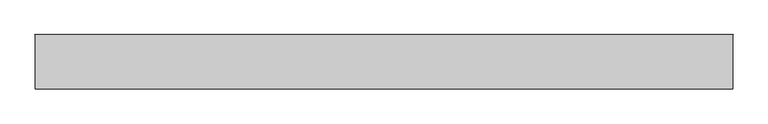
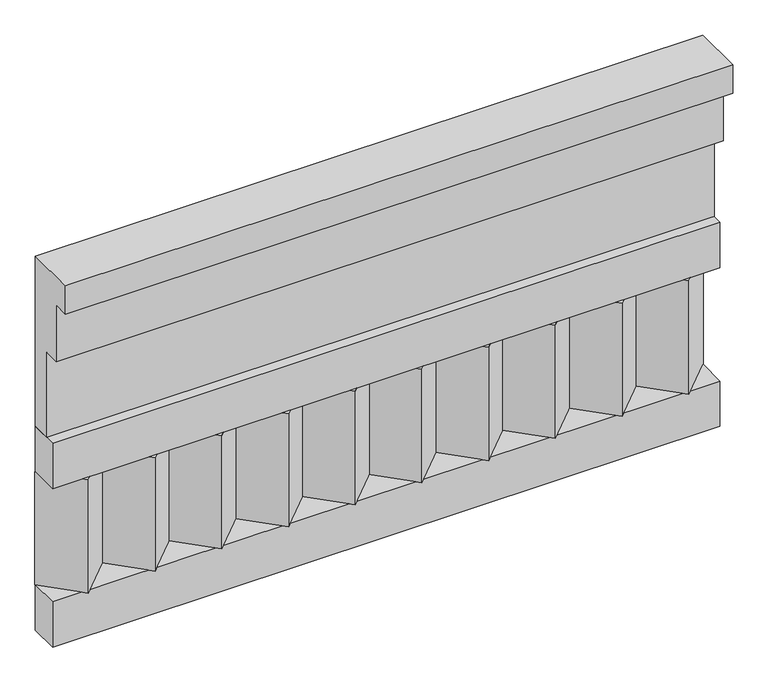
"""IFC4 building model written with IfcOpenShell, lengths in millimetres: railing geometry."""

from ifc_helpers import new_model, si_unit, frame, origin, place, context, project, spatial, polyline, outline, extrude, source, transform, mapped, element, save


def railing_3aca0e74(model_context):
    return source(origin(), model_context, "Body", "SweptSolid", [
        extrude(outline(polyline([(-16816.8920513, 18500.0), (-16816.8920513, 18050.0), (-16866.8920513, 18050.0), (-16866.8920513, 18275.0), (-16906.8920513, 18275.0), (-16906.8920513, 18425.0), (-16946.8920513, 18425.0), (-16946.8920513, 18500.0), (-16816.8920513, 18500.0)])), frame((-26239.9887159, 0.0, 0.0), z_axis=(1.0, 0.0, 0.0), x_axis=(0.0, 1.0, 0.0)), (0.0, 0.0, 1.0), 1670.0),
        extrude(outline(polyline([(-26239.9887159, -16891.8920513), (-26239.9887159, -16816.8920513), (-24569.9887159, -16816.8920513), (-24569.9887159, -16891.8920513), (-26239.9887159, -16891.8920513)])), frame((0.0, 0.0, 17930.0), z_axis=(0.0, 0.0, 1.0), x_axis=(1.0, 0.0, 0.0)), (0.0, 0.0, 1.0), 120.0),
        extrude(outline(polyline([(-26239.9887159, -16891.8920513), (-26239.9887159, -16816.8920513), (-24569.9887159, -16816.8920513), (-24569.9887159, -16891.8920513), (-26239.9887159, -16891.8920513)])), frame((0.0, 0.0, 17510.0), z_axis=(0.0, 0.0, 1.0), x_axis=(1.0, 0.0, 0.0)), (0.0, 0.0, 1.0), 120.0),
        extrude(outline(polyline([(-24653.4887159, -16901.7448651), (-24738.3415296, -16816.8920513), (-24568.6359022, -16816.8920513), (-24653.4887159, -16901.7448651)])), frame((0.0, 0.0, 17630.0), z_axis=(0.0, 0.0, 1.0), x_axis=(1.0, 0.0, 0.0)), (0.0, 0.0, 1.0), 300.0),
        extrude(outline(polyline([(-24820.4887159, -16901.7448651), (-24905.3415296, -16816.8920513), (-24735.6359022, -16816.8920513), (-24820.4887159, -16901.7448651)])), frame((0.0, 0.0, 17630.0), z_axis=(0.0, 0.0, 1.0), x_axis=(1.0, 0.0, 0.0)), (0.0, 0.0, 1.0), 300.0),
        extrude(outline(polyline([(-24987.4887159, -16901.7448651), (-25072.3415296, -16816.8920513), (-24902.6359022, -16816.8920513), (-24987.4887159, -16901.7448651)])), frame((0.0, 0.0, 17630.0), z_axis=(0.0, 0.0, 1.0), x_axis=(1.0, 0.0, 0.0)), (0.0, 0.0, 1.0), 300.0),
        extrude(outline(polyline([(-25154.4887159, -16901.7448651), (-25239.3415296, -16816.8920513), (-25069.6359022, -16816.8920513), (-25154.4887159, -16901.7448651)])), frame((0.0, 0.0, 17630.0), z_axis=(0.0, 0.0, 1.0), x_axis=(1.0, 0.0, 0.0)), (0.0, 0.0, 1.0), 300.0),
        extrude(outline(polyline([(-25321.4887159, -16901.7448651), (-25406.3415296, -16816.8920513), (-25236.6359022, -16816.8920513), (-25321.4887159, -16901.7448651)])), frame((0.0, 0.0, 17630.0), z_axis=(0.0, 0.0, 1.0), x_axis=(1.0, 0.0, 0.0)), (0.0, 0.0, 1.0), 300.0),
        extrude(outline(polyline([(-25488.4887159, -16901.7448651), (-25573.3415296, -16816.8920513), (-25403.6359022, -16816.8920513), (-25488.4887159, -16901.7448651)])), frame((0.0, 0.0, 17630.0), z_axis=(0.0, 0.0, 1.0), x_axis=(1.0, 0.0, 0.0)), (0.0, 0.0, 1.0), 300.0),
        extrude(outline(polyline([(-25655.4887159, -16901.7448651), (-25740.3415296, -16816.8920513), (-25570.6359022, -16816.8920513), (-25655.4887159, -16901.7448651)])), frame((0.0, 0.0, 17630.0), z_axis=(0.0, 0.0, 1.0), x_axis=(1.0, 0.0, 0.0)), (0.0, 0.0, 1.0), 300.0),
        extrude(outline(polyline([(-25822.4887159, -16901.7448651), (-25907.3415296, -16816.8920513), (-25737.6359022, -16816.8920513), (-25822.4887159, -16901.7448651)])), frame((0.0, 0.0, 17630.0), z_axis=(0.0, 0.0, 1.0), x_axis=(1.0, 0.0, 0.0)), (0.0, 0.0, 1.0), 300.0),
        extrude(outline(polyline([(-25989.4887159, -16901.7448651), (-26074.3415296, -16816.8920513), (-25904.6359022, -16816.8920513), (-25989.4887159, -16901.7448651)])), frame((0.0, 0.0, 17630.0), z_axis=(0.0, 0.0, 1.0), x_axis=(1.0, 0.0, 0.0)), (0.0, 0.0, 1.0), 300.0),
        extrude(outline(polyline([(-26156.4887159, -16901.7448651), (-26241.3415296, -16816.8920513), (-26071.6359022, -16816.8920513), (-26156.4887159, -16901.7448651)])), frame((0.0, 0.0, 17630.0), z_axis=(0.0, 0.0, 1.0), x_axis=(1.0, 0.0, 0.0)), (0.0, 0.0, 1.0), 300.0),
    ])


if __name__ == "__main__":
    model = new_model("IFC4")
    model_context = context("Model", 3, world=origin())
    ifc_project = project(units=[si_unit("LENGTHUNIT", "METRE", prefix="MILLI")], contexts=[model_context])
    site = spatial("IfcSite", under=ifc_project)
    building = spatial("IfcBuilding", under=site)
    placement = place(None, origin())
    railing_shape = railing_3aca0e74(model_context)
    element("IfcRailing", 1, at=placement, inside=building, context=model_context, shape_type="MappedRepresentation", body=[
        mapped(railing_shape, transform((0.0, 0.0, 0.0), x_axis=(1.0, 0.0, 0.0), y_axis=(0.0, 1.0, 0.0), z_axis=(0.0, 0.0, 1.0))),
    ])
    save(model, "model.ifc")
